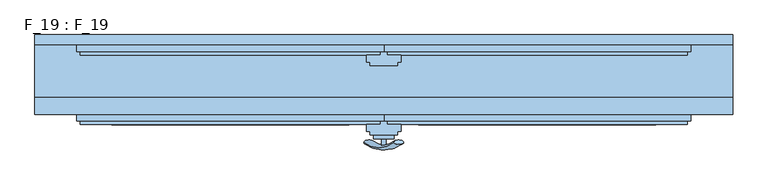
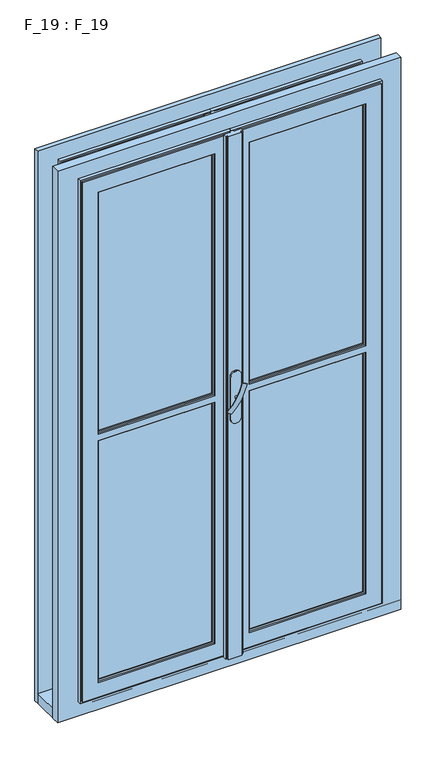
"""IFC4 building model written with IfcOpenShell, lengths in millimetres: window geometry, F_19 : F_19."""

from ifc_helpers import new_model, si_unit, point, frame, frame_2d, origin, place, context, project, spatial, polyline, circle_curve, ellipse_curve, trimmed, segment, composite_curve, outline, extrude, faceted_brep, source, transform, mapped, element, save
from ifc_brep_helpers import plane_surface, revolved_surface, advanced_brep


def f_19_f_19_17828fd9(model_context):
    return source(origin(), model_context, "Body", "SolidModel", [
        advanced_brep(
        [(-28.5497704, -190.2287724, 1557.2483361), (-14.693364, -190.2287724, 1549.2483361), (14.693364, -190.2287724, 1632.147642), (28.5497704, -190.2287724, 1624.147642)],
        [
            (0, 1, ellipse_curve(frame((-21.6215672, -190.2287724, 1553.2483361), z_axis=(-0.46984631039295827, 0.3420201433256777, -0.8137976813493676), x_axis=(0.8660254037844349, 0.0, -0.5000000000000066)), 8.0, 3.5)),
            (1, 0, ellipse_curve(frame((-21.6215672, -190.2287724, 1553.2483361), z_axis=(-0.46984631039295827, 0.3420201433256777, -0.8137976813493676), x_axis=(0.8660254037844349, 0.0, -0.5000000000000066)), 8.0, 3.5)),
            (2, 3, ellipse_curve(frame((21.6215672, -190.2287724, 1628.147642), z_axis=(0.46984631039296154, 0.3420201433256599, 0.8137976813493732), x_axis=(0.8660254037844355, 0.0, -0.5000000000000056)), 8.0, 3.5)),
            (3, 2, ellipse_curve(frame((21.6215672, -190.2287724, 1628.147642), z_axis=(0.46984631039296154, 0.3420201433256599, 0.8137976813493732), x_axis=(0.8660254037844355, 0.0, -0.5000000000000056)), 8.0, 3.5)),
            (3, 1, circle_curve(frame((6.9282032, -71.419237, 1586.6979891), z_axis=(0.8660254037844353, 0.0, -0.500000000000006), x_axis=(-0.1710100716628409, -0.9396926207859051, -0.29619813272603046)), 126.4344667)),
            (0, 2, circle_curve(frame((-6.9282032, -71.419237, 1594.6979891), z_axis=(-0.8660254037844353, 0.0, 0.500000000000006), x_axis=(-0.1710100716628409, -0.9396926207859051, -0.29619813272603046)), 126.4344667)),
        ],
        [
            plane_surface(frame((40.0926994, -187.5471681, 1518.7446033), z_axis=(-0.4698463103929582, 0.34202014332567776, -0.8137976813493677), x_axis=(-0.8660254037844352, 0.0, 0.500000000000006))),
            plane_surface(frame((82.3598097, -187.5471681, 1591.9533858), z_axis=(0.4698463103929615, 0.34202014332565983, 0.8137976813493734), x_axis=(-0.8660254037844352, 0.0, 0.500000000000006))),
            revolved_surface(trimmed(ellipse_curve(frame((-21.6215672, -190.2287724, 1553.2483361), z_axis=(-0.46984631039295827, 0.3420201433256777, -0.8137976813493676), x_axis=(0.8660254037844349, 0.0, -0.5000000000000066)), 8.0, 3.5), [point((-28.5497704, -190.2287724, 1557.2483361))], [point((-14.693364, -190.2287724, 1549.2483361))], True, "CARTESIAN"), (61.2262546, -71.419237, 1555.3489945), (-0.8660254037844353, 0.0, 0.500000000000006)),
            revolved_surface(trimmed(ellipse_curve(frame((-21.6215672, -190.2287724, 1553.2483361), z_axis=(-0.46984631039295827, 0.3420201433256777, -0.8137976813493676), x_axis=(0.8660254037844349, 0.0, -0.5000000000000066)), 8.0, 3.5), [point((-14.693364, -190.2287724, 1549.2483361))], [point((-28.5497704, -190.2287724, 1557.2483361))], True, "CARTESIAN"), (61.2262546, -71.419237, 1555.3489945), (-0.8660254037844353, 0.0, 0.500000000000006)),
        ],
        [
            (0, [[1, 2]]),
            (1, [[3, 4]]),
            (2, [[5, -1, 6, -4]]),
            (3, [[-6, -2, -5, -3]]),
        ],
    ),
        extrude(outline(composite_curve([segment(trimmed(circle_curve(frame_2d((1590.6979891, 0.0)), 3.5), [point((1590.6979891, -3.5))], [point((1590.6979891, 3.5))], False, "CARTESIAN"), True, "CONTINUOUS"), segment(trimmed(circle_curve(frame_2d((1590.6979891, 0.0)), 3.5), [point((1590.6979891, 3.5))], [point((1590.6979891, -3.5))], False, "CARTESIAN"), True, "CONTINUOUS")], self_intersect=False)), frame((0.0, -195.0, 0.0), z_axis=(0.0, 1.0, 0.0), x_axis=(0.0, 0.0, 1.0)), (0.0, 0.0, 1.0), 10.0),
        extrude(outline(composite_curve([segment(polyline([(1655.0, -15.0), (1525.0, -15.0)]), True, "CONTINUOUS"), segment(trimmed(circle_curve(frame_2d((1525.0, 0.0)), 15.0), [point((1525.0, -15.0))], [point((1525.0, 15.0))], False, "CARTESIAN"), True, "CONTINUOUS"), segment(polyline([(1525.0, 15.0), (1655.0, 15.0)]), True, "CONTINUOUS"), segment(trimmed(circle_curve(frame_2d((1655.0, 0.0)), 15.0), [point((1655.0, 15.0))], [point((1655.0, -15.0))], False, "CARTESIAN"), True, "CONTINUOUS")], self_intersect=False)), frame((0.0, -185.0, 0.0), z_axis=(0.0, 1.0, 0.0), x_axis=(0.0, 0.0, 1.0)), (0.0, 0.0, 1.0), 5.0),
        extrude(outline(polyline([(-55.0, -157.0), (-385.0, -157.0), (-385.0, -153.0), (-55.0, -153.0), (-55.0, -157.0)])), frame((0.0, 0.0, 840.0), z_axis=(0.0, 0.0, 1.0), x_axis=(1.0, 0.0, 0.0)), (0.0, 0.0, 1.0), 735.0),
        extrude(outline(polyline([(385.0, -157.0), (55.0, -157.0), (55.0, -153.0), (385.0, -153.0), (385.0, -157.0)])), frame((0.0, 0.0, 840.0), z_axis=(0.0, 0.0, 1.0), x_axis=(1.0, 0.0, 0.0)), (0.0, 0.0, 1.0), 735.0),
        extrude(outline(polyline([(-55.0, -157.0), (-385.0, -157.0), (-385.0, -153.0), (-55.0, -153.0), (-55.0, -157.0)])), frame((0.0, 0.0, 1605.0), z_axis=(0.0, 0.0, 1.0), x_axis=(1.0, 0.0, 0.0)), (0.0, 0.0, 1.0), 735.0),
        extrude(outline(polyline([(385.0, -157.0), (55.0, -157.0), (55.0, -153.0), (385.0, -153.0), (385.0, -157.0)])), frame((0.0, 0.0, 1605.0), z_axis=(0.0, 0.0, 1.0), x_axis=(1.0, 0.0, 0.0)), (0.0, 0.0, 1.0), 735.0),
        faceted_brep([(-50.0, -65.0, 1580.0), (-390.0, -65.0, 1580.0), (-390.0, -60.0, 1580.0), (-50.0, -60.0, 1580.0), (-5.0, -65.0, 790.0), (-5.0, -65.0, 2390.0), (-435.0, -65.0, 2390.0), (-435.0, -65.0, 790.0), (-50.0, -65.0, 835.0), (-390.0, -65.0, 835.0), (-50.0, -65.0, 1600.0), (-390.0, -65.0, 1600.0), (-390.0, -65.0, 2345.0), (-50.0, -65.0, 2345.0), (-390.0, -60.0, 835.0), (-390.0, -60.0, 1600.0), (-390.0, -60.0, 2345.0), (-50.0, -60.0, 835.0), (-385.0, -60.0, 1575.0), (-55.0, -60.0, 1575.0), (-55.0, -60.0, 840.0), (-385.0, -60.0, 840.0), (-50.0, -60.0, 2345.0), (-50.0, -60.0, 1600.0), (-385.0, -60.0, 2340.0), (-55.0, -60.0, 2340.0), (-55.0, -60.0, 1605.0), (-385.0, -60.0, 1605.0), (-55.0, -50.0, 840.0), (-55.0, -50.0, 1575.0), (-55.0, -50.0, 2340.0), (-55.0, -50.0, 1605.0), (-385.0, -50.0, 1605.0), (-385.0, -50.0, 840.0), (-385.0, -50.0, 1575.0), (-385.0, -50.0, 2340.0), (-50.0, -50.0, 835.0), (-390.0, -50.0, 835.0), (-390.0, -50.0, 1580.0), (-50.0, -50.0, 1580.0), (-390.0, -50.0, 2345.0), (-50.0, -50.0, 2345.0), (-50.0, -50.0, 1600.0), (-390.0, -50.0, 1600.0), (-50.0, -45.0, 835.0), (-390.0, -45.0, 835.0), (-390.0, -45.0, 1580.0), (-390.0, -45.0, 2345.0), (-390.0, -45.0, 1600.0), (-50.0, -45.0, 1580.0), (-50.0, -45.0, 2345.0), (-50.0, -45.0, 1600.0), (-10.0, -45.0, 2385.0), (-10.0, -45.0, 795.0), (-430.0, -45.0, 795.0), (-430.0, -45.0, 2385.0), (-10.0, -50.0, 2385.0), (-10.0, -50.0, 795.0), (-430.0, -50.0, 795.0), (-430.0, -50.0, 2385.0), (-5.0, -60.0, 2390.0), (-5.0, -60.0, 790.0), (-435.0, -60.0, 790.0), (-435.0, -60.0, 2390.0), (0.0, -60.0, 785.0), (0.0, -60.0, 2395.0), (-440.0, -60.0, 2395.0), (-440.0, -60.0, 785.0), (0.0, -50.0, 2395.0), (0.0, -50.0, 785.0), (-440.0, -50.0, 785.0), (-440.0, -50.0, 2395.0)], [[[0, 1, 2, 3]], [[4, 5, 6, 7], [1, 0, 8, 9], [10, 11, 12, 13]], [[9, 14, 2, 1]], [[15, 16, 12, 11]], [[14, 17, 3, 2], [18, 19, 20, 21]], [[22, 16, 15, 23], [24, 25, 26, 27]], [[3, 17, 8, 0]], [[13, 22, 23, 10]], [[8, 17, 14, 9]], [[28, 20, 19, 29]], [[25, 30, 31, 26]], [[31, 32, 27, 26]], [[21, 33, 34, 18]], [[35, 24, 27, 32]], [[11, 10, 23, 15]], [[19, 18, 34, 29]], [[20, 28, 33, 21]], [[36, 37, 38, 39], [29, 34, 33, 28]], [[40, 41, 42, 43], [35, 32, 31, 30]], [[36, 44, 45, 37]], [[38, 37, 45, 46]], [[47, 40, 43, 48]], [[46, 49, 39, 38]], [[42, 41, 50, 51]], [[44, 36, 39, 49]], [[51, 48, 43, 42]], [[52, 53, 54, 55], [49, 46, 45, 44], [48, 51, 50, 47]], [[52, 56, 57, 53]], [[53, 57, 58, 54]], [[54, 58, 59, 55]], [[60, 5, 4, 61]], [[62, 7, 6, 63]], [[61, 4, 7, 62]], [[64, 65, 66, 67], [60, 61, 62, 63]], [[68, 65, 64, 69]], [[69, 64, 67, 70]], [[68, 69, 70, 71], [57, 56, 59, 58]], [[70, 67, 66, 71]], [[30, 25, 24, 35]], [[22, 13, 12, 16]], [[50, 41, 40, 47]], [[56, 52, 55, 59]], [[5, 60, 63, 6]], [[65, 68, 71, 66]]]),
        faceted_brep([(-50.0, -145.0, 835.0), (-50.0, -150.0, 835.0), (-50.0, -150.0, 1580.0), (-50.0, -145.0, 1580.0), (-50.0, -150.0, 1600.0), (-50.0, -150.0, 2345.0), (-50.0, -145.0, 2345.0), (-50.0, -145.0, 1600.0), (-390.0, -145.0, 835.0), (-390.0, -150.0, 835.0), (-390.0, -150.0, 1580.0), (-55.0, -150.0, 840.0), (-55.0, -150.0, 1575.0), (-385.0, -150.0, 1575.0), (-385.0, -150.0, 840.0), (-390.0, -150.0, 2345.0), (-390.0, -150.0, 1600.0), (-385.0, -150.0, 2340.0), (-385.0, -150.0, 1605.0), (-55.0, -150.0, 1605.0), (-55.0, -150.0, 2340.0), (-390.0, -145.0, 1580.0), (-10.0, -145.0, 2385.0), (-10.0, -145.0, 795.0), (-430.0, -145.0, 795.0), (-430.0, -145.0, 2385.0), (-390.0, -145.0, 2345.0), (-390.0, -145.0, 1600.0), (-55.0, -160.0, 840.0), (-55.0, -160.0, 1575.0), (-55.0, -160.0, 2340.0), (-55.0, -160.0, 1605.0), (-385.0, -160.0, 1605.0), (-390.0, -160.0, 835.0), (-50.0, -160.0, 835.0), (-50.0, -160.0, 1580.0), (-390.0, -160.0, 1580.0), (-385.0, -160.0, 840.0), (-385.0, -160.0, 1575.0), (-50.0, -160.0, 2345.0), (-390.0, -160.0, 2345.0), (-390.0, -160.0, 1600.0), (-50.0, -160.0, 1600.0), (-385.0, -160.0, 2340.0), (-50.0, -165.0, 835.0), (-50.0, -165.0, 1580.0), (-50.0, -165.0, 2345.0), (-50.0, -165.0, 1600.0), (-390.0, -165.0, 1600.0), (-5.0, -165.0, 790.0), (-5.0, -165.0, 2390.0), (-435.0, -165.0, 2390.0), (-435.0, -165.0, 790.0), (-390.0, -165.0, 2345.0), (-390.0, -165.0, 835.0), (-390.0, -165.0, 1580.0), (-5.0, -160.0, 2390.0), (-5.0, -160.0, 790.0), (-435.0, -160.0, 790.0), (0.0, -160.0, 785.0), (0.0, -160.0, 2395.0), (-440.0, -160.0, 2395.0), (-440.0, -160.0, 785.0), (-435.0, -160.0, 2390.0), (0.0, -150.0, 2395.0), (0.0, -150.0, 785.0), (-440.0, -150.0, 785.0), (-440.0, -150.0, 2395.0), (-10.0, -150.0, 795.0), (-10.0, -150.0, 2385.0), (-430.0, -150.0, 2385.0), (-430.0, -150.0, 795.0)], [[[0, 1, 2, 3]], [[4, 5, 6, 7]], [[1, 0, 8, 9]], [[1, 9, 10, 2], [11, 12, 13, 14]], [[15, 5, 4, 16], [17, 18, 19, 20]], [[21, 3, 2, 10]], [[22, 23, 24, 25], [8, 0, 3, 21], [26, 27, 7, 6]], [[7, 27, 16, 4]], [[11, 28, 29, 12]], [[30, 20, 19, 31]], [[19, 18, 32, 31]], [[33, 34, 35, 36], [28, 37, 38, 29]], [[39, 40, 41, 42], [43, 30, 31, 32]], [[28, 11, 14, 37]], [[13, 12, 29, 38]], [[35, 34, 44, 45]], [[46, 39, 42, 47]], [[48, 47, 42, 41]], [[49, 50, 51, 52], [46, 47, 48, 53], [44, 54, 55, 45]], [[44, 34, 33, 54]], [[45, 55, 36, 35]], [[56, 50, 49, 57]], [[57, 49, 52, 58]], [[59, 60, 61, 62], [56, 57, 58, 63]], [[64, 60, 59, 65]], [[65, 59, 62, 66]], [[64, 65, 66, 67], [68, 69, 70, 71]], [[22, 69, 68, 23]], [[23, 68, 71, 24]], [[10, 9, 8, 21]], [[26, 15, 16, 27]], [[37, 14, 13, 38]], [[17, 43, 32, 18]], [[41, 40, 53, 48]], [[54, 33, 36, 55]], [[58, 52, 51, 63]], [[66, 62, 61, 67]], [[24, 71, 70, 25]], [[6, 5, 15, 26]], [[20, 30, 43, 17]], [[39, 46, 53, 40]], [[50, 56, 63, 51]], [[60, 64, 67, 61]], [[69, 22, 25, 70]]]),
        faceted_brep([(-500.0, -150.0, 2440.0), (-500.0, -126.0, 2440.0), (-500.0, -126.0, 740.0), (-500.0, -150.0, 740.0), (500.0, -126.0, 2440.0), (500.0, -126.0, 740.0), (-420.0, -126.0, 805.0), (430.0, -126.0, 805.0), (430.0, -126.0, 2375.0), (-420.0, -126.0, 2375.0), (500.0, -150.0, 740.0), (500.0, -150.0, 2440.0), (-430.0, -150.0, 2385.0), (440.0, -150.0, 2385.0), (440.0, -150.0, 795.0), (-430.0, -150.0, 795.0), (-420.0, -145.0, 805.0), (430.0, -145.0, 805.0), (430.0, -145.0, 2375.0), (-420.0, -145.0, 2375.0), (-430.0, -145.0, 2385.0), (-430.0, -145.0, 795.0), (440.0, -145.0, 795.0), (440.0, -145.0, 2385.0)], [[[0, 1, 2, 3]], [[2, 1, 4, 5], [6, 7, 8, 9]], [[10, 3, 2, 5]], [[0, 3, 10, 11], [12, 13, 14, 15]], [[6, 16, 17, 7]], [[8, 7, 17, 18]], [[9, 19, 16, 6]], [[5, 4, 11, 10]], [[20, 21, 22, 23], [16, 19, 18, 17]], [[20, 12, 15, 21]], [[22, 21, 15, 14]], [[23, 22, 14, 13]], [[4, 1, 0, 11]], [[19, 9, 8, 18]], [[13, 12, 20, 23]]]),
        faceted_brep([(50.0, -50.0, 1580.0), (50.0, -50.0, 835.0), (50.0, -45.0, 835.0), (50.0, -45.0, 1580.0), (50.0, -45.0, 2345.0), (50.0, -50.0, 2345.0), (50.0, -50.0, 1600.0), (50.0, -45.0, 1600.0), (390.0, -50.0, 835.0), (390.0, -50.0, 1580.0), (385.0, -50.0, 840.0), (385.0, -50.0, 1575.0), (55.0, -50.0, 1575.0), (55.0, -50.0, 840.0), (390.0, -50.0, 2345.0), (390.0, -50.0, 1600.0), (55.0, -50.0, 2340.0), (55.0, -50.0, 1605.0), (385.0, -50.0, 1605.0), (385.0, -50.0, 2340.0), (390.0, -45.0, 1600.0), (10.0, -45.0, 795.0), (10.0, -45.0, 2385.0), (430.0, -45.0, 2385.0), (430.0, -45.0, 795.0), (390.0, -45.0, 2345.0), (390.0, -45.0, 835.0), (390.0, -45.0, 1580.0), (55.0, -60.0, 840.0), (55.0, -60.0, 1575.0), (55.0, -60.0, 2340.0), (55.0, -60.0, 1605.0), (50.0, -60.0, 835.0), (390.0, -60.0, 835.0), (390.0, -60.0, 1580.0), (50.0, -60.0, 1580.0), (385.0, -60.0, 840.0), (385.0, -60.0, 1575.0), (390.0, -60.0, 2345.0), (50.0, -60.0, 2345.0), (50.0, -60.0, 1600.0), (390.0, -60.0, 1600.0), (385.0, -60.0, 2340.0), (385.0, -60.0, 1605.0), (50.0, -65.0, 2345.0), (50.0, -65.0, 1600.0), (50.0, -65.0, 835.0), (50.0, -65.0, 1580.0), (390.0, -65.0, 835.0), (390.0, -65.0, 1580.0), (5.0, -65.0, 2390.0), (5.0, -65.0, 790.0), (435.0, -65.0, 790.0), (435.0, -65.0, 2390.0), (390.0, -65.0, 2345.0), (390.0, -65.0, 1600.0), (5.0, -60.0, 2390.0), (5.0, -60.0, 790.0), (0.0, -60.0, 2395.0), (0.0, -60.0, 785.0), (440.0, -60.0, 785.0), (440.0, -60.0, 2395.0), (435.0, -60.0, 2390.0), (435.0, -60.0, 790.0), (0.0, -50.0, 2395.0), (0.0, -50.0, 785.0), (440.0, -50.0, 2395.0), (440.0, -50.0, 785.0), (10.0, -50.0, 2385.0), (10.0, -50.0, 795.0), (430.0, -50.0, 795.0), (430.0, -50.0, 2385.0)], [[[0, 1, 2, 3]], [[4, 5, 6, 7]], [[8, 1, 0, 9], [10, 11, 12, 13]], [[5, 14, 15, 6], [16, 17, 18, 19]], [[20, 7, 6, 15]], [[21, 22, 23, 24], [4, 7, 20, 25], [2, 26, 27, 3]], [[2, 1, 8, 26]], [[3, 27, 9, 0]], [[28, 13, 12, 29]], [[16, 30, 31, 17]], [[32, 33, 34, 35], [36, 28, 29, 37]], [[38, 39, 40, 41], [30, 42, 43, 31]], [[31, 43, 18, 17]], [[13, 28, 36, 10]], [[37, 29, 12, 11]], [[40, 39, 44, 45]], [[46, 32, 35, 47]], [[32, 46, 48, 33]], [[49, 47, 35, 34]], [[50, 51, 52, 53], [48, 46, 47, 49], [54, 55, 45, 44]], [[45, 55, 41, 40]], [[50, 56, 57, 51]], [[58, 59, 60, 61], [57, 56, 62, 63]], [[51, 57, 63, 52]], [[58, 64, 65, 59]], [[65, 64, 66, 67], [68, 69, 70, 71]], [[59, 65, 67, 60]], [[68, 22, 21, 69]], [[69, 21, 24, 70]], [[15, 14, 25, 20]], [[26, 8, 9, 27]], [[10, 36, 37, 11]], [[42, 19, 18, 43]], [[34, 33, 48, 49]], [[54, 38, 41, 55]], [[52, 63, 62, 53]], [[60, 67, 66, 61]], [[70, 24, 23, 71]], [[5, 4, 25, 14]], [[30, 16, 19, 42]], [[44, 39, 38, 54]], [[56, 50, 53, 62]], [[64, 58, 61, 66]], [[22, 68, 71, 23]]]),
        faceted_brep([(50.0, -145.0, 835.0), (50.0, -150.0, 835.0), (390.0, -150.0, 835.0), (390.0, -145.0, 835.0), (50.0, -150.0, 1580.0), (390.0, -150.0, 1580.0), (385.0, -150.0, 1575.0), (55.0, -150.0, 1575.0), (55.0, -150.0, 840.0), (385.0, -150.0, 840.0), (50.0, -150.0, 2345.0), (390.0, -150.0, 2345.0), (390.0, -150.0, 1600.0), (50.0, -150.0, 1600.0), (55.0, -150.0, 2340.0), (55.0, -150.0, 1605.0), (385.0, -150.0, 1605.0), (385.0, -150.0, 2340.0), (50.0, -145.0, 1580.0), (50.0, -145.0, 2345.0), (50.0, -145.0, 1600.0), (390.0, -145.0, 1580.0), (390.0, -145.0, 2345.0), (390.0, -145.0, 1600.0), (55.0, -160.0, 840.0), (55.0, -160.0, 1575.0), (55.0, -160.0, 2340.0), (55.0, -160.0, 1605.0), (385.0, -160.0, 1605.0), (385.0, -160.0, 840.0), (385.0, -160.0, 1575.0), (385.0, -160.0, 2340.0), (10.0, -145.0, 795.0), (10.0, -145.0, 2385.0), (430.0, -145.0, 2385.0), (430.0, -145.0, 795.0), (10.0, -150.0, 2385.0), (10.0, -150.0, 795.0), (430.0, -150.0, 795.0), (430.0, -150.0, 2385.0), (50.0, -160.0, 835.0), (390.0, -160.0, 835.0), (390.0, -160.0, 1580.0), (50.0, -160.0, 1580.0), (390.0, -160.0, 2345.0), (50.0, -160.0, 2345.0), (50.0, -160.0, 1600.0), (390.0, -160.0, 1600.0), (50.0, -165.0, 835.0), (390.0, -165.0, 835.0), (390.0, -165.0, 1580.0), (390.0, -165.0, 2345.0), (390.0, -165.0, 1600.0), (50.0, -165.0, 1580.0), (50.0, -165.0, 2345.0), (50.0, -165.0, 1600.0), (5.0, -165.0, 2390.0), (5.0, -165.0, 790.0), (435.0, -165.0, 790.0), (435.0, -165.0, 2390.0), (5.0, -160.0, 2390.0), (5.0, -160.0, 790.0), (435.0, -160.0, 790.0), (435.0, -160.0, 2390.0), (0.0, -160.0, 2395.0), (0.0, -160.0, 785.0), (440.0, -160.0, 785.0), (440.0, -160.0, 2395.0), (0.0, -150.0, 2395.0), (0.0, -150.0, 785.0), (440.0, -150.0, 2395.0), (440.0, -150.0, 785.0)], [[[0, 1, 2, 3]], [[2, 1, 4, 5], [6, 7, 8, 9]], [[10, 11, 12, 13], [14, 15, 16, 17]], [[4, 1, 0, 18]], [[19, 10, 13, 20]], [[18, 21, 5, 4]], [[3, 2, 5, 21]], [[12, 11, 22, 23]], [[23, 20, 13, 12]], [[24, 8, 7, 25]], [[14, 26, 27, 15]], [[16, 15, 27, 28]], [[9, 29, 30, 6]], [[31, 17, 16, 28]], [[7, 6, 30, 25]], [[8, 24, 29, 9]], [[32, 33, 34, 35], [21, 18, 0, 3], [20, 23, 22, 19]], [[36, 33, 32, 37]], [[38, 35, 34, 39]], [[37, 32, 35, 38]], [[40, 41, 42, 43], [29, 24, 25, 30]], [[44, 45, 46, 47], [28, 27, 26, 31]], [[40, 48, 49, 41]], [[42, 41, 49, 50]], [[51, 44, 47, 52]], [[50, 53, 43, 42]], [[46, 45, 54, 55]], [[48, 40, 43, 53]], [[55, 52, 47, 46]], [[56, 57, 58, 59], [53, 50, 49, 48], [52, 55, 54, 51]], [[56, 60, 61, 57]], [[57, 61, 62, 58]], [[58, 62, 63, 59]], [[64, 65, 66, 67], [61, 60, 63, 62]], [[64, 68, 69, 65]], [[69, 68, 70, 71], [36, 37, 38, 39]], [[65, 69, 71, 66]], [[66, 71, 70, 67]], [[10, 19, 22, 11]], [[26, 14, 17, 31]], [[33, 36, 39, 34]], [[54, 45, 44, 51]], [[60, 56, 59, 63]], [[68, 64, 67, 70]]]),
        faceted_brep([(500.0, -36.0, 740.0), (-500.0, -36.0, 740.0), (-500.0, -36.0, 2440.0), (500.0, -36.0, 2440.0), (420.0, -36.0, 2375.0), (-420.0, -36.0, 2375.0), (-420.0, -36.0, 805.0), (420.0, -36.0, 805.0), (-420.0, -45.0, 2375.0), (-420.0, -45.0, 805.0), (420.0, -45.0, 805.0), (420.0, -45.0, 2375.0), (-500.0, -50.0, 740.0), (500.0, -50.0, 740.0), (-500.0, -50.0, 2440.0), (500.0, -50.0, 2440.0), (-430.0, -50.0, 2385.0), (430.0, -50.0, 2385.0), (430.0, -50.0, 795.0), (-430.0, -50.0, 795.0), (430.0, -45.0, 2385.0), (430.0, -45.0, 795.0), (-430.0, -45.0, 795.0), (-430.0, -45.0, 2385.0)], [[[0, 1, 2, 3], [4, 5, 6, 7]], [[5, 8, 9, 6]], [[9, 10, 7, 6]], [[11, 4, 7, 10]], [[12, 1, 0, 13]], [[14, 2, 1, 12]], [[0, 3, 15, 13]], [[14, 12, 13, 15], [16, 17, 18, 19]], [[17, 20, 21, 18]], [[19, 18, 21, 22]], [[22, 23, 16, 19]], [[20, 23, 22, 21], [8, 11, 10, 9]], [[2, 14, 15, 3]], [[8, 5, 4, 11]], [[16, 23, 20, 17]]]),
        extrude(outline(polyline([(0.5, -45.0), (10.0, -45.0), (10.0, -50.0), (0.5, -50.0), (0.5, -45.0)])), frame((0.0, 0.0, 785.0), z_axis=(0.0, 0.0, 1.0), x_axis=(1.0, 0.0, 0.0)), (0.0, 0.0, 1.0), 1610.0),
        extrude(outline(polyline([(-0.5, -45.0), (-0.5, -50.0), (-10.0, -50.0), (-10.0, -45.0), (-0.5, -45.0)])), frame((0.0, 0.0, 785.0), z_axis=(0.0, 0.0, 1.0), x_axis=(1.0, 0.0, 0.0)), (0.0, 0.0, 1.0), 1610.0),
        extrude(outline(polyline([(-55.0, -57.0), (-385.0, -57.0), (-385.0, -53.0), (-55.0, -53.0), (-55.0, -57.0)])), frame((0.0, 0.0, 840.0), z_axis=(0.0, 0.0, 1.0), x_axis=(1.0, 0.0, 0.0)), (0.0, 0.0, 1.0), 735.0),
        extrude(outline(polyline([(385.0, -57.0), (55.0, -57.0), (55.0, -53.0), (385.0, -53.0), (385.0, -57.0)])), frame((0.0, 0.0, 840.0), z_axis=(0.0, 0.0, 1.0), x_axis=(1.0, 0.0, 0.0)), (0.0, 0.0, 1.0), 735.0),
        extrude(outline(polyline([(-55.0, -57.0), (-385.0, -57.0), (-385.0, -53.0), (-55.0, -53.0), (-55.0, -57.0)])), frame((0.0, 0.0, 1605.0), z_axis=(0.0, 0.0, 1.0), x_axis=(1.0, 0.0, 0.0)), (0.0, 0.0, 1.0), 735.0),
        extrude(outline(polyline([(385.0, -57.0), (55.0, -57.0), (55.0, -53.0), (385.0, -53.0), (385.0, -57.0)])), frame((0.0, 0.0, 1605.0), z_axis=(0.0, 0.0, 1.0), x_axis=(1.0, 0.0, 0.0)), (0.0, 0.0, 1.0), 735.0),
        extrude(outline(polyline([(5.0, -60.0), (5.0, -65.0), (25.0, -65.0), (25.0, -75.0), (20.0, -75.0), (20.0, -80.0), (-20.0, -80.0), (-20.0, -75.0), (-25.0, -75.0), (-25.0, -65.0), (-5.0, -65.0), (-5.0, -60.0), (5.0, -60.0)])), frame((0.0, 0.0, 785.0), z_axis=(0.0, 0.0, 1.0), x_axis=(1.0, 0.0, 0.0)), (0.0, 0.0, 1.0), 1610.0),
        extrude(outline(polyline([(-0.5, -145.0), (-0.5, -150.0), (-10.0, -150.0), (-10.0, -145.0), (-0.5, -145.0)])), frame((0.0, 0.0, 785.0), z_axis=(0.0, 0.0, 1.0), x_axis=(1.0, 0.0, 0.0)), (0.0, 0.0, 1.0), 1610.0),
        extrude(outline(polyline([(5.0, -160.0), (5.0, -165.0), (25.0, -165.0), (25.0, -175.0), (20.0, -175.0), (20.0, -180.0), (-20.0, -180.0), (-20.0, -175.0), (-25.0, -175.0), (-25.0, -165.0), (-5.0, -165.0), (-5.0, -160.0), (5.0, -160.0)])), frame((0.0, 0.0, 785.0), z_axis=(0.0, 0.0, 1.0), x_axis=(1.0, 0.0, 0.0)), (0.0, 0.0, 1.0), 1610.0),
        extrude(outline(polyline([(0.5, -145.0), (10.0, -145.0), (10.0, -150.0), (0.5, -150.0), (0.5, -145.0)])), frame((0.0, 0.0, 785.0), z_axis=(0.0, 0.0, 1.0), x_axis=(1.0, 0.0, 0.0)), (0.0, 0.0, 1.0), 1610.0),
        extrude(outline(polyline([(-500.0, -150.0), (-500.0, -50.0), (500.0, -50.0), (500.0, -150.0), (-500.0, -150.0)])), frame((0.0, 0.0, 740.0), z_axis=(0.0, 0.0, 1.0), x_axis=(1.0, 0.0, 0.0)), (0.0, 0.0, 1.0), 30.0),
    ])


if __name__ == "__main__":
    model = new_model("IFC4")
    model_context = context("Model", 3, world=origin())
    ifc_project = project(units=[si_unit("LENGTHUNIT", "METRE", prefix="MILLI")], contexts=[model_context])
    site = spatial("IfcSite", under=ifc_project)
    building = spatial("IfcBuilding", under=site)
    placement = place(None, origin())
    f_19_f_19_shape = f_19_f_19_17828fd9(model_context)
    element("IfcWindow", 1, ObjectType="F_19 : F_19", at=placement, inside=building, context=model_context, shape_type="MappedRepresentation", body=[
        mapped(f_19_f_19_shape, transform((0.0, 0.0, 0.0), x_axis=(1.0, 0.0, 0.0), y_axis=(0.0, 1.0, 0.0), z_axis=(0.0, 0.0, 1.0))),
    ])
    save(model, "model.ifc")
